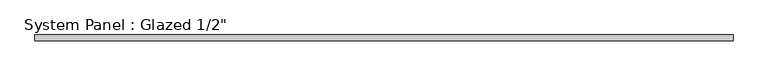
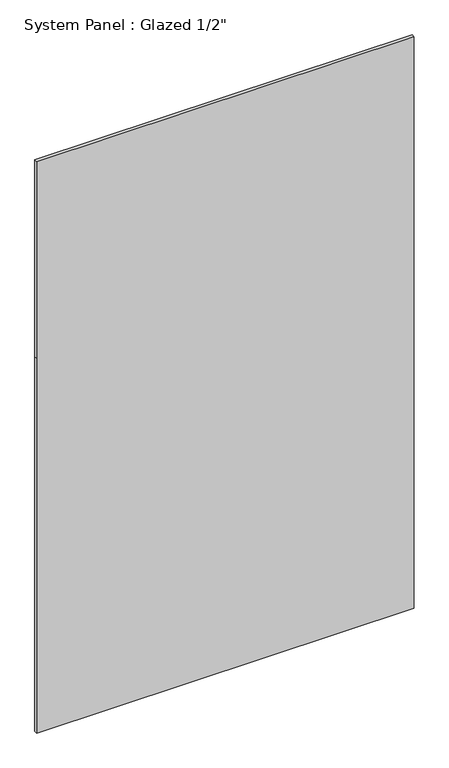
"""IFC4 building model written with IfcOpenShell, lengths in millimetres: plate geometry."""

from ifc_helpers import new_model, si_unit, frame, origin, place, context, project, spatial, polyline, outline, extrude, source, transform, mapped, element, save


def plate_4a0f8801(model_context):
    return source(origin(), model_context, "Body", "SweptSolid", [
        extrude(outline(polyline([(0.0, -777.875), (0.0, 777.875), (1631.95, 777.875), (2488.6810834, 777.875), (2488.6810834, -777.875), (1631.95, -777.875), (0.0, -777.875)])), frame((0.0, -6.35, 0.0), z_axis=(0.0, 1.0, 0.0), x_axis=(0.0, 0.0, 1.0)), (0.0, 0.0, 1.0), 12.7),
    ])


if __name__ == "__main__":
    model = new_model("IFC4")
    model_context = context("Model", 3, world=origin())
    ifc_project = project(units=[si_unit("LENGTHUNIT", "METRE", prefix="MILLI")], contexts=[model_context])
    site = spatial("IfcSite", under=ifc_project)
    building = spatial("IfcBuilding", under=site)
    placement = place(None, origin())
    plate_shape = plate_4a0f8801(model_context)
    element("IfcPlate", 1, ObjectType="System Panel : Glazed 1/2\"", at=placement, inside=building, context=model_context, shape_type="MappedRepresentation", body=[
        mapped(plate_shape, transform((0.0, 0.0, 0.0), x_axis=(1.0, 0.0, 0.0), y_axis=(0.0, 1.0, 0.0), z_axis=(0.0, 0.0, 1.0))),
    ])
    save(model, "model.ifc")
